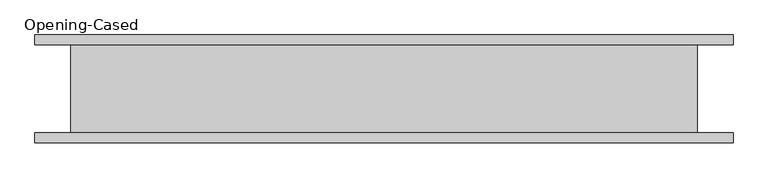
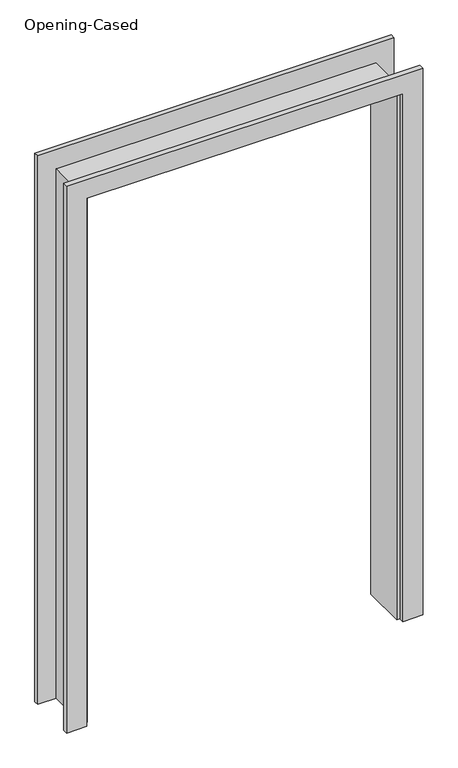
"""IFC4 building model written with IfcOpenShell, lengths in millimetres: proxy geometry, Opening-Cased."""

from ifc_helpers import new_model, si_unit, frame, origin, place, context, project, spatial, polyline, outline, extrude, faceted_brep, source, transform, mapped, element, save


def opening_cased_6d1c1d24(model_context):
    return source(origin(), model_context, "Body", "SolidModel", [
        extrude(outline(polyline([(0.0, -611.4386567), (2127.25, -611.4386567), (2127.25, 595.0613433), (0.0, 595.0613433), (0.0, 671.2613433), (2203.45, 671.2613433), (2203.45, -687.6386567), (0.0, -687.6386567), (0.0, -611.4386567)])), frame((0.0, -104.775, 0.0), z_axis=(0.0, 1.0, 0.0), x_axis=(0.0, 0.0, 1.0)), (0.0, 0.0, 1.0), 19.05),
        extrude(outline(polyline([(0.0, 671.2613433), (2209.8, 671.2613433), (2209.8, -687.6386567), (0.0, -687.6386567), (0.0, -611.4386567), (2127.25, -611.4386567), (2127.25, 595.0613433), (0.0, 595.0613433), (0.0, 671.2613433)])), frame((0.0, 85.725, 0.0), z_axis=(0.0, 1.0, 0.0), x_axis=(0.0, 0.0, 1.0)), (0.0, 0.0, 1.0), 19.05),
        faceted_brep([(582.3613433, 85.725, 0.0), (601.4113433, 85.725, 0.0), (601.4113433, -85.725, 0.0), (582.3613433, -85.725, 0.0), (582.3613433, 85.725, 2114.55), (601.4113433, 85.725, 2133.6), (601.4113433, -85.725, 2133.6), (582.3613433, -85.725, 2114.55), (-598.7386567, 85.725, 2114.55), (-617.7886567, 85.725, 2133.6), (-617.7886567, -85.725, 2133.6), (-598.7386567, -85.725, 2114.55), (-598.7386567, 85.725, 0.0), (-598.7386567, -85.725, 0.0), (-617.7886567, -85.725, 0.0), (-617.7886567, 85.725, 0.0)], [[[0, 1, 2, 3]], [[1, 0, 4, 5]], [[2, 1, 5, 6]], [[3, 2, 6, 7]], [[0, 3, 7, 4]], [[5, 4, 8, 9]], [[6, 5, 9, 10]], [[7, 6, 10, 11]], [[4, 7, 11, 8]], [[12, 13, 14, 15]], [[9, 8, 12, 15]], [[10, 9, 15, 14]], [[11, 10, 14, 13]], [[8, 11, 13, 12]]]),
    ])


if __name__ == "__main__":
    model = new_model("IFC4")
    model_context = context("Model", 3, world=origin())
    ifc_project = project(units=[si_unit("LENGTHUNIT", "METRE", prefix="MILLI")], contexts=[model_context])
    site = spatial("IfcSite", under=ifc_project)
    building = spatial("IfcBuilding", under=site)
    placement = place(None, origin())
    opening_cased_shape = opening_cased_6d1c1d24(model_context)
    element("IfcBuildingElementProxy", 1, Name="Opening-Cased", ObjectType="Opening-Cased", at=placement, inside=building, context=model_context, shape_type="MappedRepresentation", body=[
        mapped(opening_cased_shape, transform((0.0, 0.0, 0.0), x_axis=(1.0, 0.0, 0.0), y_axis=(0.0, 1.0, 0.0), z_axis=(0.0, 0.0, 1.0))),
    ])
    save(model, "model.ifc")
